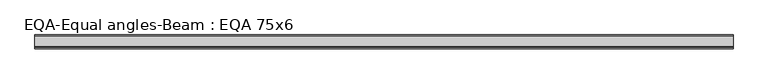
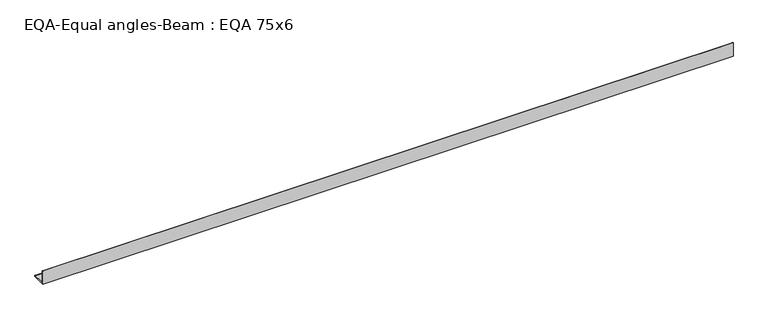
"""IFC4 building model written with IfcOpenShell, lengths in millimetres: beam geometry, EQA-Equal angles-Beam : EQA 75x6."""

from ifc_helpers import new_model, si_unit, point, frame, frame_2d, origin, place, context, project, spatial, polyline, circle_curve, trimmed, segment, composite_curve, outline, extrude, source, transform, mapped, element, save


def eqa_equal_angles_beam_eqa_75x6_c507ca00(model_context):
    return source(origin(), model_context, "Body", "SweptSolid", [
        extrude(outline(composite_curve([segment(polyline([(-20.5, -20.5), (-20.5, 54.5), (-19.0, 54.5)]), True, "CONTINUOUS"), segment(trimmed(circle_curve(frame_2d((-19.0, 50.0)), 4.5), [point((-19.0, 54.5))], [point((-14.5, 50.0))], False, "CARTESIAN"), True, "CONTINUOUS"), segment(polyline([(-14.5, 50.0), (-14.5, -5.5)]), True, "CONTINUOUS"), segment(trimmed(circle_curve(frame_2d((-5.5, -5.5)), 9.0), [point((-14.5, -5.5))], [point((-5.5, -14.5))], True, "CARTESIAN"), True, "CONTINUOUS"), segment(polyline([(-5.5, -14.5), (50.0, -14.5)]), True, "CONTINUOUS"), segment(trimmed(circle_curve(frame_2d((50.0, -19.0)), 4.5), [point((50.0, -14.5))], [point((54.5, -19.0))], False, "CARTESIAN"), True, "CONTINUOUS"), segment(polyline([(54.5, -19.0), (54.5, -20.5), (-20.5, -20.5)]), True, "CONTINUOUS")], self_intersect=False)), frame((-1808.2924819, 0.0, 0.0), z_axis=(1.0, 0.0, 0.0), x_axis=(0.0, 1.0, 0.0)), (0.0, 0.0, 1.0), 3725.8433359),
    ])


if __name__ == "__main__":
    model = new_model("IFC4")
    model_context = context("Model", 3, world=origin())
    ifc_project = project(units=[si_unit("LENGTHUNIT", "METRE", prefix="MILLI")], contexts=[model_context])
    site = spatial("IfcSite", under=ifc_project)
    building = spatial("IfcBuilding", under=site)
    placement = place(None, origin())
    eqa_equal_angles_beam_eqa_75x6_shape = eqa_equal_angles_beam_eqa_75x6_c507ca00(model_context)
    element("IfcBeam", 1, ObjectType="EQA-Equal angles-Beam : EQA 75x6", at=placement, inside=building, context=model_context, shape_type="MappedRepresentation", body=[
        mapped(eqa_equal_angles_beam_eqa_75x6_shape, transform((0.0, 0.0, 0.0), x_axis=(1.0, 0.0, 0.0), y_axis=(0.0, 1.0, 0.0), z_axis=(0.0, 0.0, 1.0))),
    ])
    save(model, "model.ifc")
